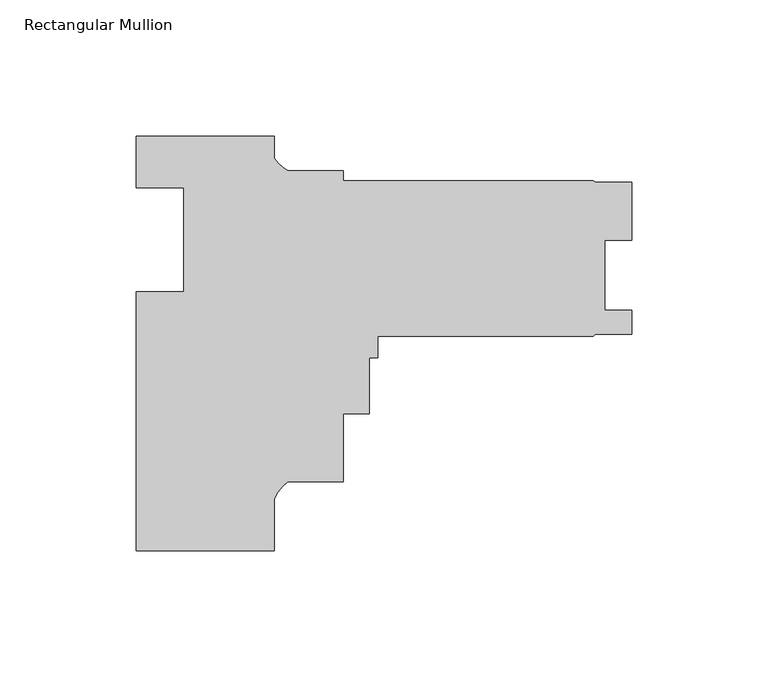
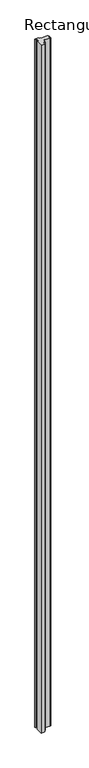
"""IFC4 building model written with IfcOpenShell, lengths in millimetres: member geometry, Rectangular Mullion."""

from ifc_helpers import new_model, si_unit, point, frame, frame_2d, origin, place, context, project, spatial, polyline, circle_curve, trimmed, segment, composite_curve, outline, extrude, source, transform, mapped, element, save


def rectangular_mullion_e8cd00b2(model_context):
    return source(origin(), model_context, "Body", "SweptSolid", [
        extrude(outline(composite_curve([segment(polyline([(-25.4, -0.0992188), (25.4, -0.0992188), (25.4, -8.3333355)]), True, "CONTINUOUS"), segment(trimmed(circle_curve(frame_2d((37.3094465, -0.3061467)), 14.3621265), [point((25.4, -8.3333355))], [point((30.3723453, -12.8818099))], True, "CARTESIAN"), True, "CONTINUOUS"), segment(polyline([(30.3723453, -12.8818099), (50.7999898, -12.8818099), (50.7999898, -16.5763542), (142.5927668, -16.5763542), (143.3616419, -17.0335541), (156.8675665, -17.0335541), (156.8675665, -38.4648043), (146.8345667, -38.4648043), (146.8345667, -64.1950042), (156.8802668, -64.1950042), (156.8802668, -72.9326042), (143.3865168, -72.9326042), (142.5927668, -73.7263542), (63.4999898, -73.7263542), (63.4999898, -81.5126099), (60.3249898, -81.5126099), (60.3249898, -102.1374099), (50.7999898, -102.1374099), (50.7999898, -127.1818099), (30.2934851, -127.1818099)]), True, "CONTINUOUS"), segment(trimmed(circle_curve(frame_2d((39.5144624, -139.4631709)), 15.3576772), [point((30.2934851, -127.1818099))], [point((25.4, -133.4100558))], True, "CARTESIAN"), True, "CONTINUOUS"), segment(polyline([(25.4, -133.4100558), (25.4, -152.4992187), (-25.4, -152.4992187), (-25.4, -57.2492187), (-7.9502, -57.2492187), (-7.9502, -19.1492187), (-25.4, -19.1492187), (-25.4, -0.0992188)]), True, "CONTINUOUS")], self_intersect=False)), frame((0.0, 0.0, -10462.5941557), z_axis=(0.0, 0.0, 1.0), x_axis=(1.0, 0.0, 0.0)), (0.0, 0.0, 1.0), 10462.5941557),
    ])


if __name__ == "__main__":
    model = new_model("IFC4")
    model_context = context("Model", 3, world=origin())
    ifc_project = project(units=[si_unit("LENGTHUNIT", "METRE", prefix="MILLI")], contexts=[model_context])
    site = spatial("IfcSite", under=ifc_project)
    building = spatial("IfcBuilding", under=site)
    placement = place(None, origin())
    rectangular_mullion_shape = rectangular_mullion_e8cd00b2(model_context)
    element("IfcMember", 1, ObjectType="Rectangular Mullion", at=placement, inside=building, context=model_context, shape_type="MappedRepresentation", body=[
        mapped(rectangular_mullion_shape, transform((0.0, 0.0, 0.0), x_axis=(1.0, 0.0, 0.0), y_axis=(0.0, 1.0, 0.0), z_axis=(0.0, 0.0, 1.0))),
    ])
    save(model, "model.ifc")
